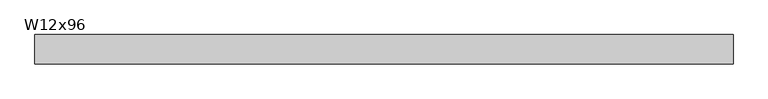
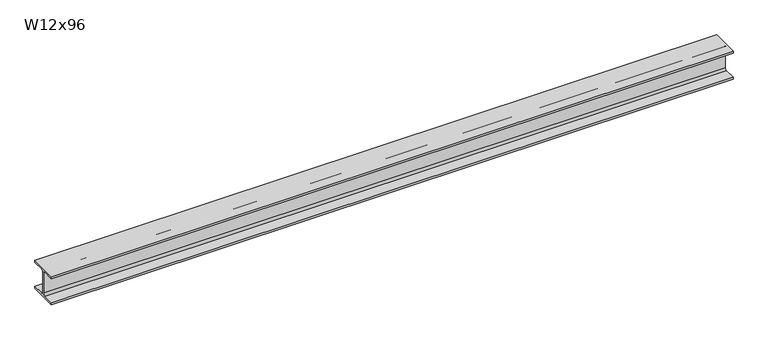
"""IFC4 building model written with IfcOpenShell, lengths in millimetres: beam geometry, W12x96."""

from ifc_helpers import new_model, si_unit, point, frame, frame_2d, origin, place, context, project, spatial, polyline, circle_curve, trimmed, segment, composite_curve, outline, extrude, source, transform, mapped, element, save


def w12x96_7e61ab5b(model_context):
    return source(origin(), model_context, "Body", "SweptSolid", [
        extrude(outline(composite_curve([segment(polyline([(154.94, -138.43), (154.94, -161.29), (-154.94, -161.29), (-154.94, -138.43), (-30.1625, -138.43)]), True, "CONTINUOUS"), segment(trimmed(circle_curve(frame_2d((-30.1625, -115.2525)), 23.1775), [point((-30.1625, -138.43))], [point((-6.985, -115.2525))], True, "CARTESIAN"), True, "CONTINUOUS"), segment(polyline([(-6.985, -115.2525), (-6.985, 115.2525)]), True, "CONTINUOUS"), segment(trimmed(circle_curve(frame_2d((-30.1625, 115.2525)), 23.1775), [point((-6.985, 115.2525))], [point((-30.1625, 138.43))], True, "CARTESIAN"), True, "CONTINUOUS"), segment(polyline([(-30.1625, 138.43), (-154.94, 138.43), (-154.94, 161.29), (154.94, 161.29), (154.94, 138.43), (30.1625, 138.43)]), True, "CONTINUOUS"), segment(trimmed(circle_curve(frame_2d((30.1625, 115.2525)), 23.1775), [point((30.1625, 138.43))], [point((6.985, 115.2525))], True, "CARTESIAN"), True, "CONTINUOUS"), segment(polyline([(6.985, 115.2525), (6.985, -115.2525)]), True, "CONTINUOUS"), segment(trimmed(circle_curve(frame_2d((30.1625, -115.2525)), 23.1775), [point((6.985, -115.2525))], [point((30.1625, -138.43))], True, "CARTESIAN"), True, "CONTINUOUS"), segment(polyline([(30.1625, -138.43), (154.94, -138.43)]), True, "CONTINUOUS")], self_intersect=False)), frame((-3695.7, 0.0, 0.0), z_axis=(1.0, 0.0, 0.0), x_axis=(0.0, 1.0, 0.0)), (0.0, 0.0, 1.0), 7391.4),
    ])


if __name__ == "__main__":
    model = new_model("IFC4")
    model_context = context("Model", 3, world=origin())
    ifc_project = project(units=[si_unit("LENGTHUNIT", "METRE", prefix="MILLI")], contexts=[model_context])
    site = spatial("IfcSite", under=ifc_project)
    building = spatial("IfcBuilding", under=site)
    placement = place(None, origin())
    w12x96_shape = w12x96_7e61ab5b(model_context)
    element("IfcBeam", 1, ObjectType="W12x96", at=placement, inside=building, context=model_context, shape_type="MappedRepresentation", body=[
        mapped(w12x96_shape, transform((0.0, 0.0, 0.0), x_axis=(1.0, 0.0, 0.0), y_axis=(0.0, 1.0, 0.0), z_axis=(0.0, 0.0, 1.0))),
    ])
    save(model, "model.ifc")
